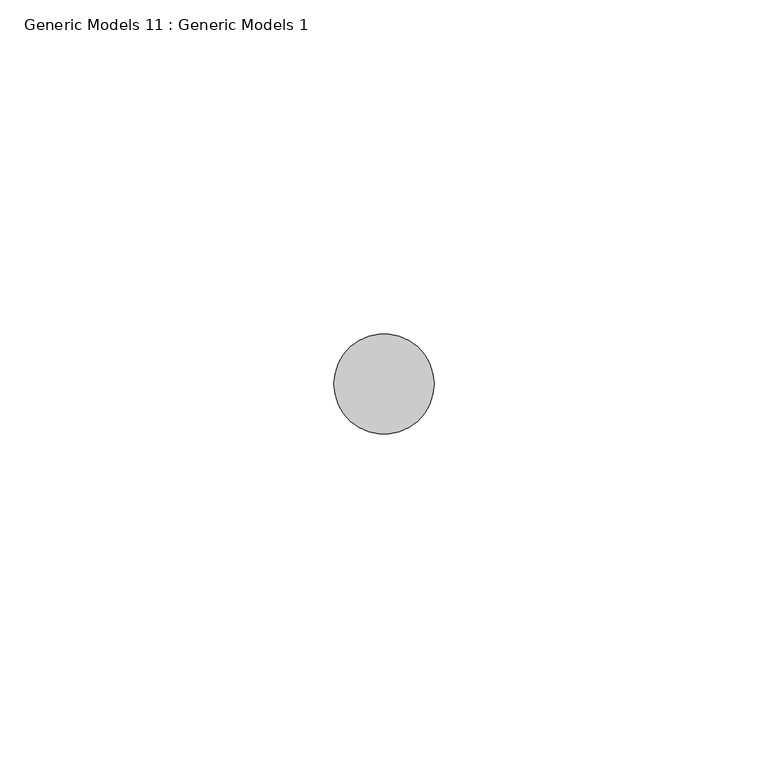
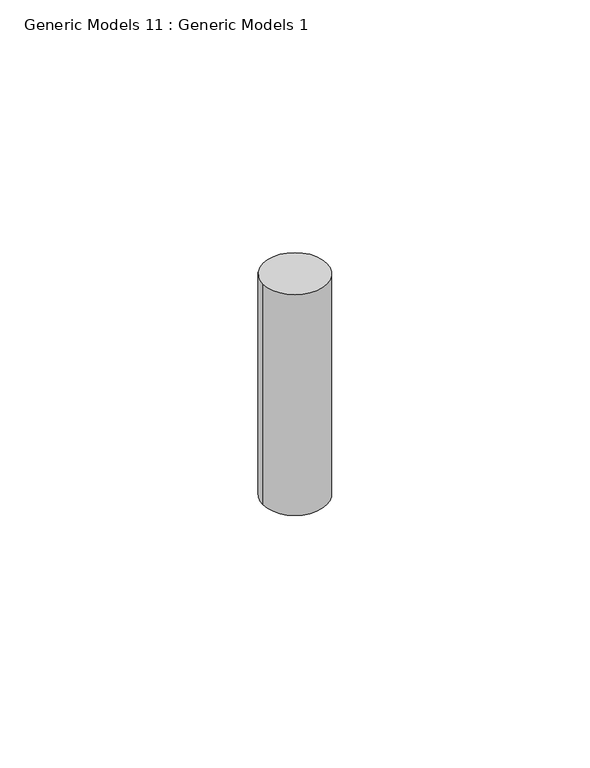
"""IFC4 building model written with IfcOpenShell, lengths in millimetres: proxy geometry, Generic Models 11 : Generic Models 1."""

from ifc_helpers import new_model, si_unit, point, frame, frame_2d, origin, place, context, project, spatial, circle_curve, trimmed, segment, composite_curve, outline, extrude, source, transform, mapped, element, save


def generic_models_11_generic_models_1_206c17f1(model_context):
    return source(origin(), model_context, "Body", "SweptSolid", [
        extrude(outline(composite_curve([segment(trimmed(circle_curve(frame_2d((3389.2582576, 400.3057469)), 7.5), [point((3396.7582576, 400.3057469))], [point((3381.7582576, 400.3057469))], False, "CARTESIAN"), True, "CONTINUOUS"), segment(trimmed(circle_curve(frame_2d((3389.2582576, 400.3057469)), 7.5), [point((3381.7582576, 400.3057469))], [point((3396.7582576, 400.3057469))], False, "CARTESIAN"), True, "CONTINUOUS")], self_intersect=False)), frame((0.0, 0.0, -839.6691196), z_axis=(0.0, 0.0, 1.0), x_axis=(1.0, 0.0, 0.0)), (0.0, 0.0, 1.0), 55.0000012),
    ])


if __name__ == "__main__":
    model = new_model("IFC4")
    model_context = context("Model", 3, world=origin())
    ifc_project = project(units=[si_unit("LENGTHUNIT", "METRE", prefix="MILLI")], contexts=[model_context])
    site = spatial("IfcSite", under=ifc_project)
    building = spatial("IfcBuilding", under=site)
    placement = place(None, origin())
    generic_models_11_generic_models_1_shape = generic_models_11_generic_models_1_206c17f1(model_context)
    element("IfcBuildingElementProxy", 1, Name="Generic Models 11 : Generic Models 1", ObjectType="Generic Models 11 : Generic Models 1", at=placement, inside=building, context=model_context, shape_type="MappedRepresentation", body=[
        mapped(generic_models_11_generic_models_1_shape, transform((0.0, 0.0, 0.0), x_axis=(1.0, 0.0, 0.0), y_axis=(0.0, 1.0, 0.0), z_axis=(0.0, 0.0, 1.0))),
    ])
    save(model, "model.ifc")
